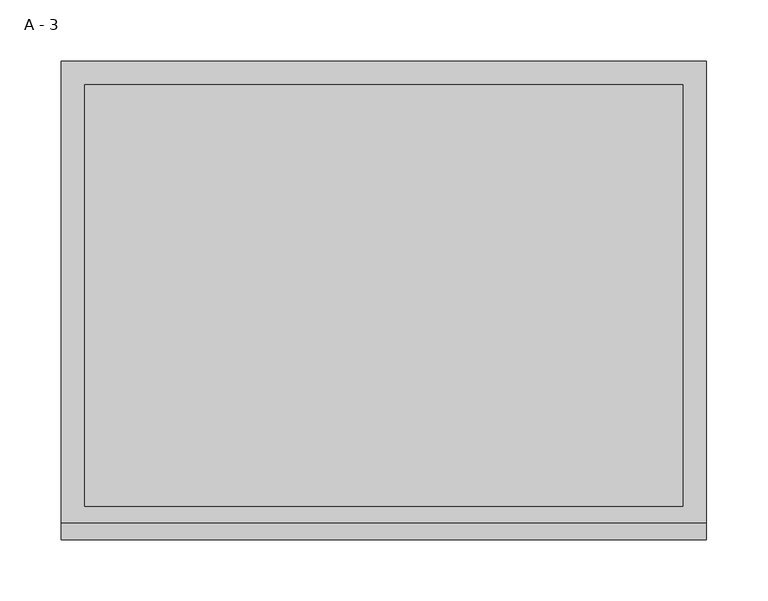
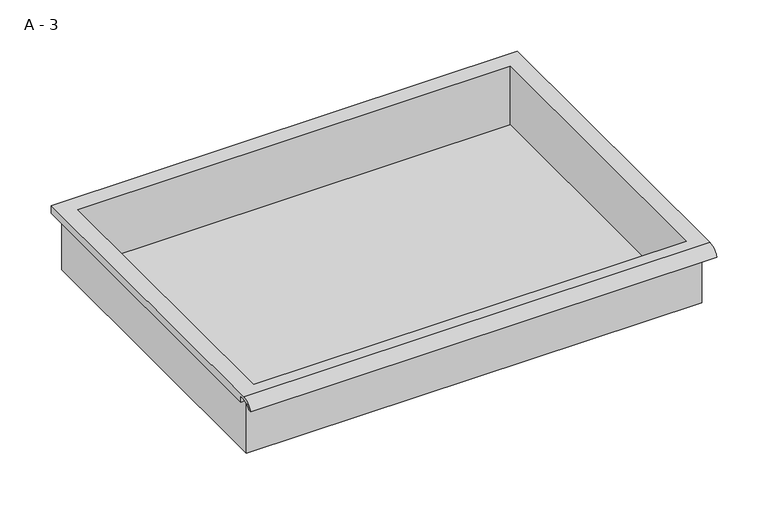
"""IFC4 building model written with IfcOpenShell, lengths in millimetres: furniture geometry, A - 3."""

from ifc_helpers import new_model, si_unit, frame, origin, place, context, project, spatial, polyline, circle_curve, source, transform, mapped, element, save
from ifc_brep_helpers import plane_surface, cylinder_surface, revolved_surface, advanced_brep


def a_3_439d0195(model_context):
    return source(origin(), model_context, "Body", "AdvancedBrep", [
        advanced_brep(
        [(-257.1076517, -176.2125, 1050.1249), (257.2423483, -176.2125, 1050.1249), (257.2423483, -176.2125, 1113.6249), (263.5923483, -176.2125, 1113.6249), (263.5923483, -176.2125, 1119.9320341), (-263.4576517, -176.2125, 1119.9320341), (-263.4576517, -176.2125, 1113.6249), (-257.1076517, -176.2125, 1113.6249), (257.2423483, 185.7375, 1050.1249), (-257.1076517, 185.7375, 1050.1249), (-257.1076517, 185.7375, 1113.6249), (257.2423483, 185.7375, 1113.6249), (263.5923483, -181.6070544, 1123.1499), (263.5923483, 195.2625, 1123.1499), (-263.4576517, 195.2625, 1123.1499), (-263.4576517, -181.6070544, 1123.1499), (244.5423483, -168.275, 1123.1499), (-244.4076517, -168.275, 1123.1499), (-244.4076517, 176.2125, 1123.1499), (244.5423483, 176.2125, 1123.1499), (263.5923483, -195.2625, 1113.6249), (263.5923483, -191.8280601, 1113.6249), (263.5923483, -180.4714815, 1119.9320341), (263.5923483, 195.2625, 1113.6249), (-263.4576517, 195.2625, 1113.6249), (-263.4576517, -180.4714815, 1119.9320341), (-263.4576517, -191.8280601, 1113.6249), (-263.4576517, -195.2625, 1113.6249), (-244.4076517, -168.275, 1053.1510719), (244.5423483, -168.275, 1053.1510719), (244.5423483, 176.2125, 1053.1510719), (-244.4076517, 176.2125, 1053.1510719)],
        [
            (0, 1),
            (1, 2),
            (2, 3),
            (3, 4),
            (4, 5),
            (5, 6),
            (6, 7),
            (7, 0),
            (8, 9),
            (9, 10),
            (10, 11),
            (11, 8),
            (0, 9),
            (8, 1),
            (11, 2),
            (12, 13),
            (13, 14),
            (14, 15),
            (15, 12),
            (16, 17),
            (17, 18),
            (18, 19),
            (19, 16),
            (7, 10),
            (12, 20, circle_curve(frame((263.5923483, -181.6070544, 1108.5988859), z_axis=(1.0, 0.0, 0.0), x_axis=(0.0, 1.0, 0.0)), 14.5510141)),
            (20, 21),
            (21, 22, circle_curve(frame((263.5923483, -181.6070544, 1108.5988859), z_axis=(-1.0, 0.0, 0.0), x_axis=(0.0, 1.0, 0.0)), 11.3898979)),
            (22, 4),
            (3, 23),
            (23, 13),
            (14, 24),
            (24, 6),
            (5, 25),
            (25, 26, circle_curve(frame((-263.4576517, -181.6070544, 1108.5988859), z_axis=(1.0, 0.0, 0.0), x_axis=(0.0, 1.0, 0.0)), 11.3898979)),
            (26, 27),
            (27, 15, circle_curve(frame((-263.4576517, -181.6070544, 1108.5988859), z_axis=(-1.0, 0.0, 0.0), x_axis=(0.0, 1.0, 0.0)), 14.5510141)),
            (27, 20),
            (26, 21),
            (25, 22),
            (24, 23),
            (28, 29),
            (29, 30),
            (30, 31),
            (31, 28),
            (28, 17),
            (16, 29),
            (19, 30),
            (18, 31),
        ],
        [
            plane_surface(frame((257.2423483, -176.2125, 1050.1249), z_axis=(0.0, -1.0, 0.0), x_axis=(1.0, 0.0, 0.0))),
            plane_surface(frame((257.2423483, 185.7375, 1050.1249), z_axis=(0.0, 1.0, 0.0), x_axis=(-1.0, 0.0, 0.0))),
            plane_surface(frame((-257.1076517, -176.2125, 1050.1249), z_axis=(0.0, 0.0, -1.0), x_axis=(0.0, 1.0, 0.0))),
            plane_surface(frame((257.2423483, -176.2125, 1050.1249), z_axis=(1.0, 0.0, 0.0), x_axis=(0.0, 1.0, 0.0))),
            plane_surface(frame((257.2423483, -176.2125, 1123.1499), z_axis=(0.0, 0.0, 1.0), x_axis=(0.0, 1.0, 0.0))),
            plane_surface(frame((-257.1076517, -176.2125, 1123.1499), z_axis=(-1.0, 0.0, 0.0), x_axis=(0.0, 1.0, 0.0))),
            plane_surface(frame((263.5923483, 195.2625, 1123.1499), z_axis=(1.0, 0.0, 0.0), x_axis=(0.0, -1.0, 0.0))),
            plane_surface(frame((-263.4576517, 195.2625, 1123.1499), z_axis=(-1.0, 0.0, 0.0), x_axis=(0.0, 1.0, 0.0))),
            cylinder_surface(frame((-263.4576517, -181.6070544, 1108.5988859), z_axis=(1.0, 0.0, 0.0), x_axis=(0.0, 1.0, 0.0)), 14.5510141),
            plane_surface(frame((263.5923483, -195.2625, 1113.6249), z_axis=(0.0, -7.251821180146345e-12, -1.0), x_axis=(-1.0, 0.0, 0.0))),
            revolved_surface(polyline([(-263.4576517, -170.21715650000002, 1108.5988859), (263.59234829999997, -170.21715650000002, 1108.5988859)]), (-263.4576517, -181.6070544, 1108.5988859), (-1.0, 0.0, 0.0)),
            plane_surface(frame((263.5923483, -180.4714815, 1119.9320341), z_axis=(0.0, -1.7956755870570704e-11, -1.0), x_axis=(-1.0, 0.0, 0.0))),
            plane_surface(frame((263.5923483, -176.2125, 1113.6249), z_axis=(0.0, 0.0, -1.0), x_axis=(-1.0, 0.0, 0.0))),
            plane_surface(frame((263.5923483, 195.2625, 1113.6249), z_axis=(0.0, 1.0, 0.0), x_axis=(-1.0, 0.0, 0.0))),
            plane_surface(frame((244.5423483, -168.275, 1053.1510719), z_axis=(0.0, 0.0, 1.0), x_axis=(-1.0, 0.0, 0.0))),
            plane_surface(frame((-244.4076517, -168.275, 1123.1499), z_axis=(0.0, 1.0, 0.0), x_axis=(0.0, 0.0, -1.0))),
            plane_surface(frame((244.5423483, -168.275, 1123.1499), z_axis=(-1.0, 0.0, 0.0), x_axis=(0.0, 0.0, -1.0))),
            plane_surface(frame((244.5423483, 176.2125, 1123.1499), z_axis=(0.0, -1.0, 0.0), x_axis=(0.0, 0.0, -1.0))),
            plane_surface(frame((-244.4076517, 176.2125, 1123.1499), z_axis=(1.0, 0.0, 0.0), x_axis=(0.0, 0.0, -1.0))),
        ],
        [
            (0, [[1, 2, 3, 4, 5, 6, 7, 8]]),
            (1, [[9, 10, 11, 12]]),
            (2, [[-1, 13, -9, 14]]),
            (3, [[-14, -12, 15, -2]]),
            (4, [[16, 17, 18, 19], [20, 21, 22, 23]]),
            (5, [[-13, -8, 24, -10]]),
            (6, [[-16, 25, 26, 27, 28, -4, 29, 30]]),
            (7, [[31, 32, -6, 33, 34, 35, 36, -18]]),
            (8, [[-25, -19, -36, 37]]),
            (9, [[-26, -37, -35, 38]]),
            (10, [[-27, -38, -34, 39]]),
            (11, [[-28, -39, -33, -5]]),
            (12, [[-29, -3, -15, -11, -24, -7, -32, 40]]),
            (13, [[-30, -40, -31, -17]]),
            (14, [[41, 42, 43, 44]]),
            (15, [[-41, 45, -20, 46]]),
            (16, [[-42, -46, -23, 47]]),
            (17, [[-43, -47, -22, 48]]),
            (18, [[-44, -48, -21, -45]]),
        ],
    ),
    ])


if __name__ == "__main__":
    model = new_model("IFC4")
    model_context = context("Model", 3, world=origin())
    ifc_project = project(units=[si_unit("LENGTHUNIT", "METRE", prefix="MILLI")], contexts=[model_context])
    site = spatial("IfcSite", under=ifc_project)
    building = spatial("IfcBuilding", under=site)
    placement = place(None, origin())
    a_3_shape = a_3_439d0195(model_context)
    element("IfcFurniture", 1, ObjectType="A - 3", at=placement, inside=building, context=model_context, shape_type="MappedRepresentation", body=[
        mapped(a_3_shape, transform((0.0, 0.0, 0.0), x_axis=(1.0, 0.0, 0.0), y_axis=(0.0, 1.0, 0.0), z_axis=(0.0, 0.0, 1.0))),
    ])
    save(model, "model.ifc")
